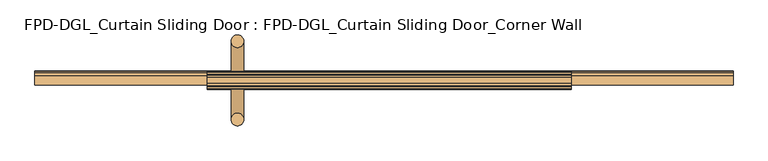
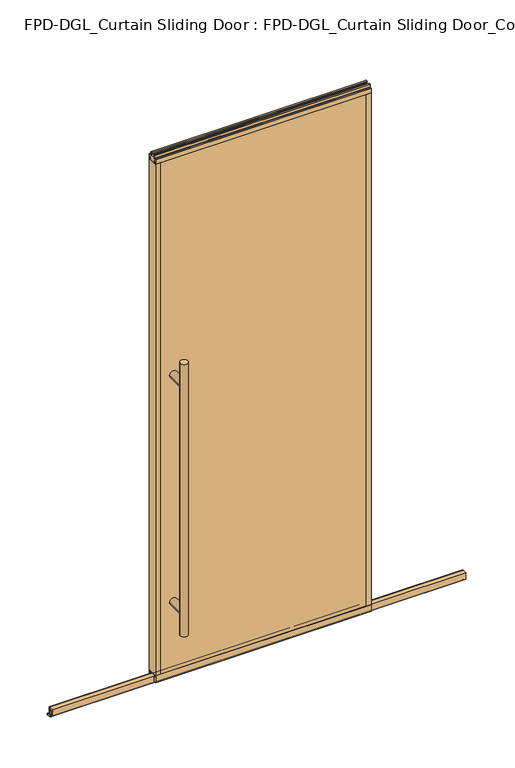
"""IFC4 building model written with IfcOpenShell, lengths in millimetres: door geometry, FPD-DGL_Curtain Sliding Door : FPD-DGL_Curtain Sliding Door_Corner Wall."""

from ifc_helpers import new_model, si_unit, point, frame, frame_2d, origin, place, context, project, spatial, polyline, circle_curve, ellipse_curve, trimmed, segment, composite_curve, outline, extrude, source, transform, mapped, element, save
from ifc_brep_helpers import plane_surface, cylinder_surface, advanced_brep


def fpd_dgl_curtain_sliding_door_fpd_dgl_curtain_sliding_door_0b7e6a28(model_context):
    return source(origin(), model_context, "Body", "SolidModel", [
        advanced_brep(
        [(-364.728125, 28.778049, 1473.2), (-396.478125, 28.778049, 1473.2), (-364.728125, -168.4469566, 1473.2), (-396.478125, -168.4469566, 1473.2), (-364.728125, 28.778049, 254.0), (-396.478125, 28.778049, 254.0), (-364.728125, -168.4469566, 254.0), (-396.478125, -168.4469566, 254.0), (-364.728125, 28.778049, 355.6), (-396.478125, 28.778049, 355.6), (-364.728125, 28.778049, 1371.6), (-396.478125, 28.778049, 1371.6), (-396.478125, -168.4469566, 1371.6), (-396.478125, -168.4469566, 355.6), (-364.728125, -168.4469566, 355.6), (-364.728125, -168.4469566, 1371.6)],
        [
            (0, 1, circle_curve(frame((-380.603125, 28.778049, 1473.2), z_axis=(0.0, 0.0, 1.0), x_axis=(-1.0, 0.0, 0.0)), 15.875)),
            (1, 0, circle_curve(frame((-380.603125, 28.778049, 1473.2), z_axis=(0.0, 0.0, 1.0), x_axis=(-1.0, 0.0, 0.0)), 15.875)),
            (2, 3, circle_curve(frame((-380.603125, -168.4469566, 1473.2), z_axis=(0.0, 0.0, 1.0), x_axis=(-1.0, 0.0, 0.0)), 15.875)),
            (3, 2, circle_curve(frame((-380.603125, -168.4469566, 1473.2), z_axis=(0.0, 0.0, 1.0), x_axis=(-1.0, 0.0, 0.0)), 15.875)),
            (4, 5, circle_curve(frame((-380.603125, 28.778049, 254.0), z_axis=(0.0, 0.0, -1.0), x_axis=(-1.0, 0.0, 0.0)), 15.875)),
            (5, 4, circle_curve(frame((-380.603125, 28.778049, 254.0), z_axis=(0.0, 0.0, -1.0), x_axis=(-1.0, 0.0, 0.0)), 15.875)),
            (6, 7, circle_curve(frame((-380.603125, -168.4469566, 254.0), z_axis=(0.0, 0.0, -1.0), x_axis=(-1.0, 0.0, 0.0)), 15.875)),
            (7, 6, circle_curve(frame((-380.603125, -168.4469566, 254.0), z_axis=(0.0, 0.0, -1.0), x_axis=(-1.0, 0.0, 0.0)), 15.875)),
            (4, 8),
            (8, 9, ellipse_curve(frame((-380.603125, 28.778049, 355.6), z_axis=(0.0, 0.7071067811865525, -0.7071067811865427), x_axis=(0.0, 0.7071067811865427, 0.7071067811865523)), 22.4506403, 15.875)),
            (9, 5),
            (10, 11, ellipse_curve(frame((-380.603125, 28.778049, 1371.6), z_axis=(0.0, 0.7071067811865427, -0.7071067811865525), x_axis=(0.0, 0.7071067811865525, 0.7071067811865425)), 22.4506403, 15.875)),
            (11, 9),
            (9, 8, ellipse_curve(frame((-380.603125, 28.778049, 355.6), z_axis=(0.0, 0.7071067811865427, 0.7071067811865525), x_axis=(0.0, -0.7071067811865525, 0.7071067811865425)), 22.4506403, 15.875)),
            (8, 10),
            (1, 11),
            (11, 10, ellipse_curve(frame((-380.603125, 28.778049, 1371.6), z_axis=(0.0, 0.7071067811865525, 0.7071067811865427), x_axis=(0.0, -0.7071067811865427, 0.7071067811865523)), 22.4506403, 15.875)),
            (10, 0),
            (3, 12),
            (12, 13),
            (13, 7),
            (6, 14),
            (14, 15),
            (15, 2),
            (15, 12, ellipse_curve(frame((-380.603125, -168.4469566, 1371.6), z_axis=(0.0, -0.7071067811865427, 0.7071067811865525), x_axis=(0.0, 0.7071067811865525, 0.7071067811865425)), 22.4506403, 15.875)),
            (13, 14, ellipse_curve(frame((-380.603125, -168.4469566, 355.6), z_axis=(0.0, -0.7071067811865427, -0.7071067811865525), x_axis=(0.0, -0.7071067811865525, 0.7071067811865425)), 22.4506403, 15.875)),
            (14, 13, ellipse_curve(frame((-380.603125, -168.4469566, 355.6), z_axis=(0.0, -0.7071067811865525, 0.7071067811865427), x_axis=(0.0, 0.7071067811865427, 0.7071067811865523)), 22.4506403, 15.875)),
            (12, 15, ellipse_curve(frame((-380.603125, -168.4469566, 1371.6), z_axis=(0.0, -0.7071067811865525, -0.7071067811865427), x_axis=(0.0, -0.7071067811865427, 0.7071067811865523)), 22.4506403, 15.875)),
            (10, 15),
            (12, 11),
            (8, 14),
            (13, 9),
        ],
        [
            plane_surface(frame((-281.4957243, -69.85, 1473.2), z_axis=(0.0, 0.0, 1.0), x_axis=(0.0, 1.0, 0.0))),
            plane_surface(frame((-281.4957243, -69.85, 254.0), z_axis=(0.0, 0.0, -1.0), x_axis=(0.0, 1.0, 0.0))),
            cylinder_surface(frame((-380.603125, 28.778049, 1473.2), z_axis=(0.0, 0.0, 1.0), x_axis=(-1.0, 0.0, 0.0)), 15.875),
            cylinder_surface(frame((-380.603125, -168.4469566, 1473.2), z_axis=(0.0, 0.0, 1.0), x_axis=(-1.0, 0.0, 0.0)), 15.875),
            cylinder_surface(frame((-380.603125, -168.4469566, 1371.6), z_axis=(0.0, 1.0, 0.0), x_axis=(1.0, 0.0, 0.0)), 15.875),
            cylinder_surface(frame((-380.603125, -69.85, 355.6), z_axis=(0.0, 1.0, 0.0), x_axis=(1.0, 0.0, 0.0)), 15.875),
        ],
        [
            (0, [[1, 2]]),
            (0, [[3, 4]]),
            (1, [[5, 6]]),
            (1, [[7, 8]]),
            (2, [[9, 10, 11, -5]]),
            (2, [[12, 13, 14, 15]]),
            (2, [[16, 17, 18, -2]]),
            (2, [[-18, -15, -9, -6, -11, -13, -16, -1]]),
            (3, [[19, 20, 21, -7, 22, 23, 24, -4]]),
            (3, [[-24, 25, -19, -3]]),
            (3, [[-21, 26, -22, -8]]),
            (3, [[27, -20, 28, -23]]),
            (4, [[-12, 29, -28, 30]]),
            (4, [[-25, -29, -17, -30]]),
            (5, [[-10, 31, -26, 32]]),
            (5, [[-27, -31, -14, -32]]),
        ],
    ),
        extrude(outline(composite_curve([segment(polyline([(-66.0369794, 1.1714386), (-66.0369794, 4.0416386)]), True, "CONTINUOUS"), segment(trimmed(circle_curve(frame_2d((-64.8685794, 4.0416386)), 1.1684), [point((-66.0369794, 4.0416386))], [point((-65.2836188, 5.1338386))], False, "CARTESIAN"), True, "CONTINUOUS"), segment(polyline([(-65.2836188, 5.1338386), (-62.5762294, 5.1338386), (-62.5762294, 4.3138948), (-65.2622794, 4.3138948), (-65.2622794, 0.7650387), (-46.7837797, 0.7650387), (-46.7837797, 4.4232339), (-49.7788569, 4.4232339), (-49.7788569, 5.2100386), (-47.1901797, 5.2100386)]), True, "CONTINUOUS"), segment(trimmed(circle_curve(frame_2d((-47.1901797, 4.0416386)), 1.1684), [point((-47.1901797, 5.2100386))], [point((-46.0217797, 4.0416386))], False, "CARTESIAN"), True, "CONTINUOUS"), segment(polyline([(-46.0217797, 4.0416386), (-46.0217797, 1.1714386)]), True, "CONTINUOUS"), segment(trimmed(circle_curve(frame_2d((-47.1901797, 1.1714386)), 1.1684), [point((-46.0217797, 1.1714386))], [point((-47.1901797, 0.0030387))], False, "CARTESIAN"), True, "CONTINUOUS"), segment(polyline([(-47.1901797, 0.0030387), (-64.8685794, 0.0030387)]), True, "CONTINUOUS"), segment(trimmed(circle_curve(frame_2d((-64.8685794, 1.1714386)), 1.1684), [point((-64.8685794, 0.0030387))], [point((-66.0369794, 1.1714386))], False, "CARTESIAN"), True, "CONTINUOUS")], self_intersect=False)), frame((-888.603125, 0.0, 0.0), z_axis=(1.0, 0.0, 0.0), x_axis=(0.0, 1.0, 0.0)), (0.0, 0.0, 1.0), 1751.80625),
        extrude(outline(composite_curve([segment(polyline([(-80.8146139, 41.6030387), (-58.9146141, 41.6030387), (-58.9146141, 11.6839647), (-60.414702, 11.6839647), (-60.414702, 39.1709995)]), True, "CONTINUOUS"), segment(trimmed(circle_curve(frame_2d((-61.3469627, 39.1709995)), 0.9322606), [point((-60.414702, 39.1709995))], [point((-61.3469627, 40.1032601))], True, "CARTESIAN"), True, "CONTINUOUS"), segment(polyline([(-61.3469627, 40.1032601), (-66.4357402, 40.1032601)]), True, "CONTINUOUS"), segment(trimmed(circle_curve(frame_2d((-66.4357402, 39.1243868)), 0.9788733), [point((-66.4357402, 40.1032601))], [point((-67.4146135, 39.1243868))], True, "CARTESIAN"), True, "CONTINUOUS"), segment(polyline([(-67.4146135, 39.1243868), (-67.4146135, 11.6839647), (-69.0146138, 11.6839647), (-69.0146138, 33.5017657), (-70.4044462, 33.5017657), (-70.4044462, 34.3040626), (-69.0146138, 34.3040626), (-69.0146138, 35.6040627), (-79.8146139, 35.6040627), (-79.8146139, 34.3040626), (-78.4247815, 34.3040626), (-78.4247815, 33.5017657), (-79.8146139, 33.5017657), (-79.8146139, 11.6839647), (-80.8146139, 11.6839647), (-80.8146139, 41.6030387)]), True, "CONTINUOUS")], self_intersect=False)), frame((-888.603125, 0.0, 0.0), z_axis=(1.0, 0.0, 0.0), x_axis=(0.0, 1.0, 0.0)), (0.0, 0.0, 1.0), 1751.80625),
        extrude(outline(composite_curve([segment(polyline([(-55.5258097, 48.6471016), (-55.5258097, 47.6299627), (-56.8928229, 47.6299627), (-56.8928229, 41.3613764)]), True, "CONTINUOUS"), segment(trimmed(circle_curve(frame_2d((-54.577348, 41.3613764)), 2.3154748), [point((-56.8928229, 41.3613764))], [point((-54.577348, 39.0459016))], True, "CARTESIAN"), True, "CONTINUOUS"), segment(polyline([(-54.577348, 39.0459016), (-49.5896246, 39.0522555)]), True, "CONTINUOUS"), segment(trimmed(circle_curve(frame_2d((-49.687823, 39.8079016)), 0.762), [point((-49.5896246, 39.0522555))], [point((-48.925823, 39.8079016))], True, "CARTESIAN"), True, "CONTINUOUS"), segment(polyline([(-48.925823, 39.8079016), (-48.925823, 48.6471016), (-47.6258255, 48.6471016), (-47.6258255, 19.0059017), (-56.7472378, 19.0059017), (-56.7472378, 15.875), (-58.6515279, 15.875), (-58.6515279, 47.0470737), (-81.0484721, 47.0470737), (-81.0484721, 15.875), (-82.9527622, 15.875), (-82.9527622, 19.0059017), (-92.0741745, 19.0059017), (-92.0741745, 48.6471016), (-90.774177, 48.6471016), (-90.774177, 39.8079016)]), True, "CONTINUOUS"), segment(trimmed(circle_curve(frame_2d((-90.012177, 39.8079016)), 0.762), [point((-90.774177, 39.8079016))], [point((-90.1103754, 39.0522555))], True, "CARTESIAN"), True, "CONTINUOUS"), segment(polyline([(-90.1103754, 39.0522555), (-85.122652, 39.0459016)]), True, "CONTINUOUS"), segment(trimmed(circle_curve(frame_2d((-85.122652, 41.3613764)), 2.3154748), [point((-85.122652, 39.0459016))], [point((-82.8071771, 41.3613764))], True, "CARTESIAN"), True, "CONTINUOUS"), segment(polyline([(-82.8071771, 41.3613764), (-82.8071771, 47.6299627), (-84.1741903, 47.6299627), (-84.1741903, 48.6471016), (-55.5258097, 48.6471016)]), True, "CONTINUOUS")], self_intersect=False)), frame((-456.803125, 0.0, 0.0), z_axis=(1.0, 0.0, 0.0), x_axis=(0.0, 1.0, 0.0)), (0.0, 0.0, 1.0), 913.60625),
        extrude(outline(composite_curve([segment(polyline([(-61.4500175, 2373.0296458), (-56.4453412, 2373.0296458)]), True, "CONTINUOUS"), segment(trimmed(circle_curve(frame_2d((-56.4453412, 2372.4343333)), 0.5953125), [point((-56.4453412, 2373.0296458))], [point((-55.8500287, 2372.4343333))], False, "CARTESIAN"), True, "CONTINUOUS"), segment(polyline([(-55.8500287, 2372.4343333), (-55.8500287, 2361.0663318)]), True, "CONTINUOUS"), segment(trimmed(circle_curve(frame_2d((-53.9309248, 2361.0663318)), 1.919104), [point((-55.8500287, 2361.0663318))], [point((-53.9309248, 2359.1472278))], True, "CARTESIAN"), True, "CONTINUOUS"), segment(polyline([(-53.9309248, 2359.1472278), (-48.4250432, 2359.1472278)]), True, "CONTINUOUS"), segment(trimmed(circle_curve(frame_2d((-48.4250432, 2358.3472293)), 0.7999985), [point((-48.4250432, 2359.1472278))], [point((-47.6250446, 2358.3472293))], False, "CARTESIAN"), True, "CONTINUOUS"), segment(polyline([(-47.6250446, 2358.3472293), (-47.6250446, 2339.4622278), (-48.9250423, 2339.4622278), (-48.9250423, 2349.5622078)]), True, "CONTINUOUS"), segment(trimmed(circle_curve(frame_2d((-49.4250413, 2349.5622078)), 0.499999), [point((-48.9250423, 2349.5622078))], [point((-49.4250413, 2350.0622068))], True, "CARTESIAN"), True, "CONTINUOUS"), segment(polyline([(-49.4250413, 2350.0622068), (-55.5250289, 2350.0622068), (-55.5250289, 2339.4622278), (-84.1749714, 2339.4622278), (-84.1749714, 2350.0622068), (-90.2749587, 2350.0622068)]), True, "CONTINUOUS"), segment(trimmed(circle_curve(frame_2d((-90.2749587, 2349.5622078)), 0.499999), [point((-90.2749587, 2350.0622068))], [point((-90.7749577, 2349.5622078))], True, "CARTESIAN"), True, "CONTINUOUS"), segment(polyline([(-90.7749577, 2349.5622078), (-90.7749577, 2339.4622278), (-92.0749551, 2339.4622278), (-92.0749551, 2358.3472293)]), True, "CONTINUOUS"), segment(trimmed(circle_curve(frame_2d((-91.2749567, 2358.3472293)), 0.7999984), [point((-92.0749551, 2358.3472293))], [point((-91.2749567, 2359.1472277))], False, "CARTESIAN"), True, "CONTINUOUS"), segment(polyline([(-91.2749567, 2359.1472277), (-85.7690752, 2359.1472277)]), True, "CONTINUOUS"), segment(trimmed(circle_curve(frame_2d((-85.7690752, 2361.0663317)), 1.919104), [point((-85.7690752, 2359.1472277))], [point((-83.8499713, 2361.0663317))], True, "CARTESIAN"), True, "CONTINUOUS"), segment(polyline([(-83.8499713, 2361.0663317), (-83.8499713, 2372.4343333)]), True, "CONTINUOUS"), segment(trimmed(circle_curve(frame_2d((-83.2546588, 2372.4343333)), 0.5953125), [point((-83.8499713, 2372.4343333))], [point((-83.2546588, 2373.0296458))], False, "CARTESIAN"), True, "CONTINUOUS"), segment(polyline([(-83.2546588, 2373.0296458), (-78.2499825, 2373.0296458), (-78.2499825, 2371.0296498), (-81.8499752, 2371.0296498), (-81.8499752, 2362.5296668)]), True, "CONTINUOUS"), segment(trimmed(circle_curve(frame_2d((-81.3499762, 2362.5296668)), 0.499999), [point((-81.8499752, 2362.5296668))], [point((-81.3499762, 2362.0296678))], True, "CARTESIAN"), True, "CONTINUOUS"), segment(polyline([(-81.3499762, 2362.0296678), (-58.3500238, 2362.0296678)]), True, "CONTINUOUS"), segment(trimmed(circle_curve(frame_2d((-58.3500238, 2362.5296668)), 0.499999), [point((-58.3500238, 2362.0296678))], [point((-57.8500248, 2362.5296668))], True, "CARTESIAN"), True, "CONTINUOUS"), segment(polyline([(-57.8500248, 2362.5296668), (-57.8500248, 2371.0296498), (-61.4500175, 2371.0296498), (-61.4500175, 2373.0296458)]), True, "CONTINUOUS")], self_intersect=False)), frame((-456.803125, 0.0, 0.0), z_axis=(1.0, 0.0, 0.0), x_axis=(0.0, 1.0, 0.0)), (0.0, 0.0, 1.0), 913.60625),
        extrude(outline(polyline([(446.8662761, -90.7765993), (-446.8662761, -90.7765993), (-446.8662761, -84.175), (446.8662761, -84.175), (446.8662761, -90.7765993)])), frame((0.0, 0.0, 39.1580021), z_axis=(0.0, 0.0, 1.0), x_axis=(1.0, 0.0, 0.0)), (0.0, 0.0, 1.0), 2310.6376625),
        extrude(outline(polyline([(-446.8662761, -55.525), (-446.8662761, -48.9234007), (446.8662761, -48.9234007), (446.8662761, -55.525), (-446.8662761, -55.525)])), frame((0.0, 0.0, 39.1580021), z_axis=(0.0, 0.0, 1.0), x_axis=(1.0, 0.0, 0.0)), (0.0, 0.0, 1.0), 2310.6376625),
        extrude(outline(composite_curve([segment(polyline([(-456.803125, -92.075), (-456.803125, -47.625), (-436.2662761, -47.625), (-436.2662761, -48.9234), (-446.3370824, -48.9234)]), True, "CONTINUOUS"), segment(trimmed(circle_curve(frame_2d((-446.3370824, -49.4525937)), 0.5291937), [point((-446.3370824, -48.9234))], [point((-446.8662761, -49.4525937))], True, "CARTESIAN"), True, "CONTINUOUS"), segment(polyline([(-446.8662761, -49.4525937), (-446.8662761, -51.4096), (-448.0662759, -51.4096), (-448.0662759, -48.9298), (-454.9997249, -48.9298), (-454.9997249, -60.604802), (-448.0662759, -60.604802), (-448.0662759, -55.525), (-436.2662761, -55.525), (-436.2662761, -84.175), (-448.0662759, -84.175), (-448.0662759, -79.095198), (-454.9997249, -79.095198), (-454.9997249, -90.7702), (-448.0662759, -90.7702), (-448.0662759, -88.2904), (-446.8662761, -88.2904), (-446.8662761, -90.2685993)]), True, "CONTINUOUS"), segment(trimmed(circle_curve(frame_2d((-446.3582761, -90.2685993)), 0.508), [point((-446.8662761, -90.2685993))], [point((-446.3582761, -90.7765993))], True, "CARTESIAN"), True, "CONTINUOUS"), segment(polyline([(-446.3582761, -90.7765993), (-436.2662761, -90.7765993), (-436.2662761, -92.075), (-456.803125, -92.075)]), True, "CONTINUOUS")], self_intersect=False)), frame((0.0, 0.0, 48.6471016), z_axis=(0.0, 0.0, 1.0), x_axis=(1.0, 0.0, 0.0)), (0.0, 0.0, 1.0), 2290.8151262),
        extrude(outline(composite_curve([segment(polyline([(456.803125, -92.075), (436.2662761, -92.075), (436.2662761, -90.7765993), (446.3582761, -90.7765993)]), True, "CONTINUOUS"), segment(trimmed(circle_curve(frame_2d((446.3582761, -90.2685993)), 0.508), [point((446.3582761, -90.7765993))], [point((446.8662761, -90.2685993))], True, "CARTESIAN"), True, "CONTINUOUS"), segment(polyline([(446.8662761, -90.2685993), (446.8662761, -88.2904), (448.0662759, -88.2904), (448.0662759, -90.7702), (454.9997249, -90.7702), (454.9997249, -79.095198), (448.0662759, -79.095198), (448.0662759, -84.175), (436.2662761, -84.175), (436.2662761, -55.525), (448.0662759, -55.525), (448.0662759, -60.604802), (454.9997249, -60.604802), (454.9997249, -48.9298), (448.0662759, -48.9298), (448.0662759, -51.4096), (446.8662761, -51.4096), (446.8662761, -49.4525937)]), True, "CONTINUOUS"), segment(trimmed(circle_curve(frame_2d((446.3370824, -49.4525937)), 0.5291937), [point((446.8662761, -49.4525937))], [point((446.3370824, -48.9234))], True, "CARTESIAN"), True, "CONTINUOUS"), segment(polyline([(446.3370824, -48.9234), (436.266276, -48.9234), (436.266276, -47.625), (456.803125, -47.625), (456.803125, -92.075)]), True, "CONTINUOUS")], self_intersect=False)), frame((0.0, 0.0, 48.6471016), z_axis=(0.0, 0.0, 1.0), x_axis=(1.0, 0.0, 0.0)), (0.0, 0.0, 1.0), 2290.8151262),
    ])


if __name__ == "__main__":
    model = new_model("IFC4")
    model_context = context("Model", 3, world=origin())
    ifc_project = project(units=[si_unit("LENGTHUNIT", "METRE", prefix="MILLI")], contexts=[model_context])
    site = spatial("IfcSite", under=ifc_project)
    building = spatial("IfcBuilding", under=site)
    placement = place(None, origin())
    fpd_dgl_curtain_sliding_door_fpd_dgl_curtain_sliding_door_shape = fpd_dgl_curtain_sliding_door_fpd_dgl_curtain_sliding_door_0b7e6a28(model_context)
    element("IfcDoor", 1, ObjectType="FPD-DGL_Curtain Sliding Door : FPD-DGL_Curtain Sliding Door_Corner Wall", at=placement, inside=building, context=model_context, shape_type="MappedRepresentation", body=[
        mapped(fpd_dgl_curtain_sliding_door_fpd_dgl_curtain_sliding_door_shape, transform((0.0, 0.0, 0.0), x_axis=(1.0, 0.0, 0.0), y_axis=(0.0, 1.0, 0.0), z_axis=(0.0, 0.0, 1.0))),
    ])
    save(model, "model.ifc")
